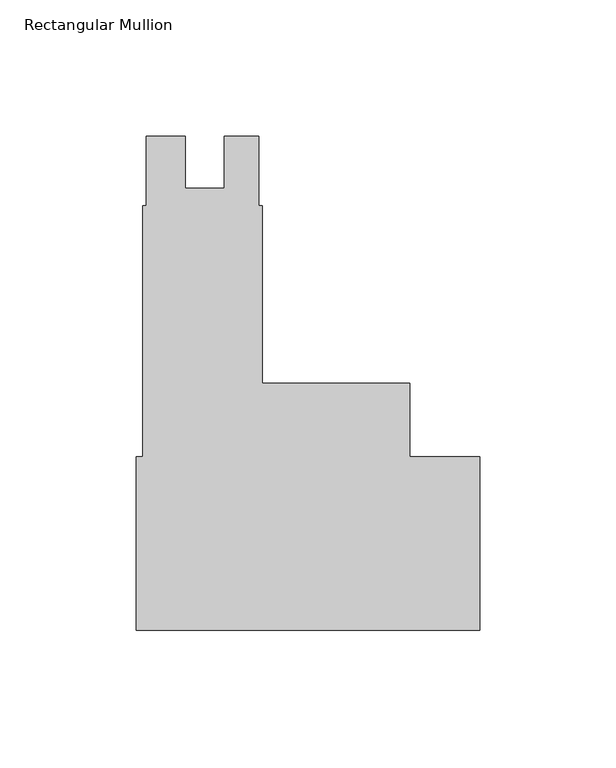
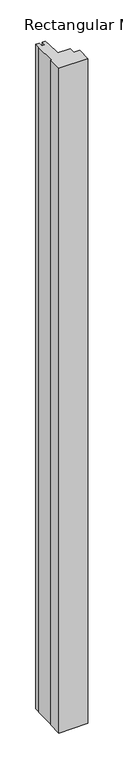
"""IFC4 building model written with IfcOpenShell, lengths in millimetres: member geometry, Rectangular Mullion."""

from ifc_helpers import new_model, si_unit, frame, origin, place, context, project, spatial, polyline, outline, extrude, source, transform, mapped, element, save


def rectangular_mullion_38281e14(model_context):
    return source(origin(), model_context, "Body", "SweptSolid", [
        extrude(outline(polyline([(-122.1422337, 107.1571458), (-122.1422337, 132.5571458), (-107.88015, 132.5571458), (-107.88015, 113.5198467), (-93.59265, 113.5198467), (-93.59265, 132.5571458), (-80.87995, 132.5571458), (-80.87995, 107.1571458), (-79.60995, 107.1571458), (-79.60995, 42.05605), (-25.577927, 42.05605), (-25.577927, 15.08125), (0.0, 15.08125), (0.0, -48.41875), (-125.7808, -48.41875), (-125.7808, 15.08125), (-123.39955, 15.08125), (-123.39955, 107.1571458), (-122.1422337, 107.1571458)])), frame((0.0, 0.0, -3048.0), z_axis=(0.0, 0.0, 1.0), x_axis=(1.0, 0.0, 0.0)), (0.0, 0.0, 1.0), 3048.0),
    ])


if __name__ == "__main__":
    model = new_model("IFC4")
    model_context = context("Model", 3, world=origin())
    ifc_project = project(units=[si_unit("LENGTHUNIT", "METRE", prefix="MILLI")], contexts=[model_context])
    site = spatial("IfcSite", under=ifc_project)
    building = spatial("IfcBuilding", under=site)
    placement = place(None, origin())
    rectangular_mullion_shape = rectangular_mullion_38281e14(model_context)
    element("IfcMember", 1, ObjectType="Rectangular Mullion", at=placement, inside=building, context=model_context, shape_type="MappedRepresentation", body=[
        mapped(rectangular_mullion_shape, transform((0.0, 0.0, 0.0), x_axis=(1.0, 0.0, 0.0), y_axis=(0.0, 1.0, 0.0), z_axis=(0.0, 0.0, 1.0))),
    ])
    save(model, "model.ifc")
